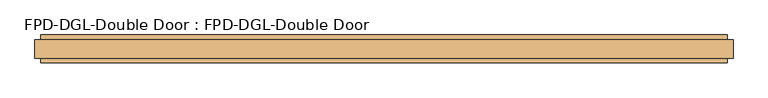
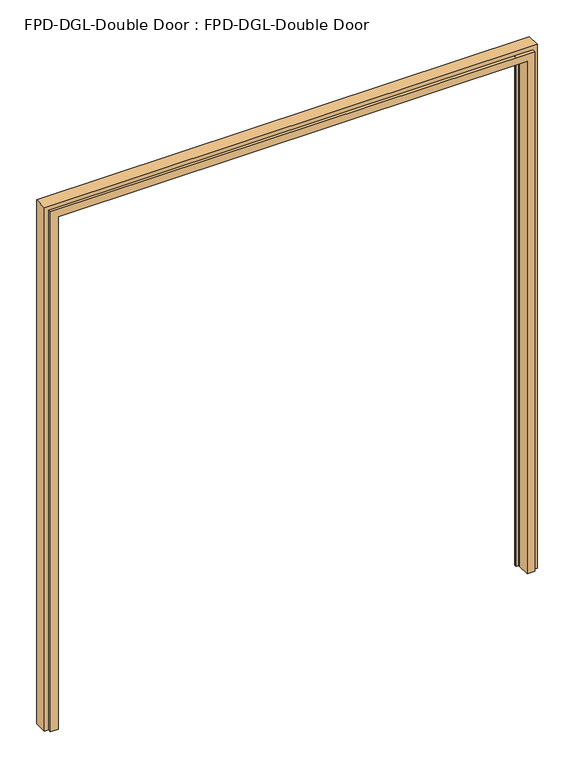
"""IFC4 building model written with IfcOpenShell, lengths in millimetres: door geometry, FPD-DGL-Double Door : FPD-DGL-Double Door."""

from ifc_helpers import new_model, si_unit, frame, origin, place, context, project, spatial, polyline, circle_curve, ellipse_curve, source, transform, mapped, element, save
from ifc_brep_helpers import plane_surface, cylinder_surface, revolved_surface, advanced_brep


def fpd_dgl_double_door_fpd_dgl_double_door_bdb7c09e(model_context):
    return source(origin(), model_context, "Body", "AdvancedBrep", [
        advanced_brep(
        [(903.3075687, -11.3733949, 0.0), (903.3075687, 40.6860271, 0.0), (902.3830671, 40.6860271, 0.0), (902.3830671, 44.3028642, 0.0), (893.0413882, 44.3028642, 0.0), (892.4810471, 44.8632053, 0.0), (892.4810471, 51.5478604, 0.0), (893.0414807, 52.1082939, 0.0), (902.7488697, 52.1082939, 0.0), (903.3086545, 52.6680787, 0.0), (903.3086545, 64.7989331, 0.0), (933.4648079, 64.7989331, 0.0), (933.4648079, 52.1038106, 0.0), (949.325, 52.1038106, 0.0), (949.325, 1.322059, 0.0), (933.4556354, 1.322059, 0.0), (933.4556354, -11.3733949, 0.0), (903.3075687, -11.3733949, 2087.5825687), (903.3075687, 40.6860271, 2087.5825687), (-903.3075687, 40.6860271, 2087.5825687), (-903.3075687, 40.6860271, 0.0), (-902.3830671, 40.6860271, 0.0), (-902.3830671, 40.6860271, 2086.6580671), (902.3830671, 40.6860271, 2086.6580671), (902.3830671, 44.3028642, 2086.6580671), (-902.3830671, 44.3028642, 2086.6580671), (-902.3830671, 44.3028642, 0.0), (-893.0413882, 44.3028642, 0.0), (-893.0413882, 44.3028642, 2077.3163882), (893.0413882, 44.3028642, 2077.3163882), (892.4810471, 44.8632053, 2076.7560471), (892.4810471, 51.5478604, 2076.7560471), (893.0414807, 52.1082939, 2077.3164807), (-893.0414807, 52.1082939, 2077.3164807), (-893.0414807, 52.1082939, 0.0), (-902.7488697, 52.1082939, 0.0), (-902.7488697, 52.1082939, 2087.0238697), (902.7488697, 52.1082939, 2087.0238697), (903.3086545, 52.6680787, 2087.5836545), (903.3086545, 64.7989331, 2087.5836545), (-903.3075687, -11.3733949, 0.0), (-933.4556354, -11.3733949, 0.0), (-933.4556354, 1.322059, 0.0), (-949.325, 1.322059, 0.0), (-949.325, 52.1038106, 0.0), (-933.4648079, 52.1038106, 0.0), (-933.4648079, 64.7989331, 0.0), (-903.3086545, 64.7989331, 0.0), (-903.3086545, 52.6680787, 0.0), (-892.4810471, 51.5478604, 0.0), (-892.4810471, 44.8632053, 0.0), (-903.3086545, 64.7989331, 2087.5836545), (-903.3086545, 52.6680787, 2087.5836545), (-892.4810471, 51.5478604, 2076.7560471), (-892.4810471, 44.8632053, 2076.7560471), (-903.3075687, -11.3733949, 2087.5825687), (-933.4648079, 64.7989331, 2117.7398079), (933.4648079, 64.7989331, 2117.7398079), (933.4648079, 52.1038106, 2117.7398079), (-933.4648079, 52.1038106, 2117.7398079), (-949.325, 52.1038106, 2133.6), (949.325, 52.1038106, 2133.6), (949.325, 1.322059, 2133.6), (-949.325, 1.322059, 2133.6), (-933.4556354, 1.322059, 2117.7306354), (933.4556354, 1.322059, 2117.7306354), (933.4556354, -11.3733949, 2117.7306354), (-933.4556354, -11.3733949, 2117.7306354)],
        [
            (0, 1),
            (1, 2),
            (2, 3),
            (3, 4),
            (4, 5, circle_curve(frame((893.0413882, 44.8632053, 0.0), z_axis=(0.0, 0.0, -1.0), x_axis=(0.0, -1.0, 0.0)), 0.5603411)),
            (5, 6),
            (6, 7, circle_curve(frame((893.0414807, 51.5478604, 0.0), z_axis=(0.0, 0.0, -1.0), x_axis=(0.0, -1.0, 0.0)), 0.5604335)),
            (7, 8),
            (8, 9, circle_curve(frame((902.7488697, 52.6680787, 0.0), z_axis=(0.0, 0.0, 1.0), x_axis=(0.0, -1.0, 0.0)), 0.5597848)),
            (9, 10),
            (10, 11),
            (11, 12),
            (12, 13),
            (13, 14),
            (14, 15),
            (15, 16),
            (16, 0),
            (0, 17),
            (17, 18),
            (18, 1),
            (18, 19),
            (19, 20),
            (20, 21),
            (21, 22),
            (22, 23),
            (23, 2),
            (23, 24),
            (24, 3),
            (24, 25),
            (25, 26),
            (26, 27),
            (27, 28),
            (28, 29),
            (29, 4),
            (29, 30, ellipse_curve(frame((893.0413882, 44.8632053, 2077.3163882), z_axis=(0.7071067811865475, 0.0, -0.7071067811865475), x_axis=(-0.7071067811865474, 0.0, -0.7071067811865476)), 0.7924419, 0.5603411)),
            (30, 5),
            (30, 31),
            (31, 6),
            (31, 32, ellipse_curve(frame((893.0414807, 51.5478604, 2077.3164807), z_axis=(0.7071067811865475, 0.0, -0.7071067811865475), x_axis=(-0.7071067811865474, 0.0, -0.7071067811865476)), 0.7925727, 0.5604335)),
            (32, 7),
            (32, 33),
            (33, 34),
            (34, 35),
            (35, 36),
            (36, 37),
            (37, 8),
            (37, 38, ellipse_curve(frame((902.7488697, 52.6680787, 2087.0238697), z_axis=(-0.7071067811865475, 0.0, 0.7071067811865475), x_axis=(0.7071067811865474, 0.0, 0.7071067811865476)), 0.7916552, 0.5597848)),
            (38, 9),
            (38, 39),
            (39, 10),
            (40, 41),
            (41, 42),
            (42, 43),
            (43, 44),
            (44, 45),
            (45, 46),
            (46, 47),
            (47, 48),
            (48, 35, circle_curve(frame((-902.7488697, 52.6680787, 0.0), z_axis=(0.0, 0.0, 1.0), x_axis=(0.0, -1.0, 0.0)), 0.5597848)),
            (34, 49, circle_curve(frame((-893.0414807, 51.5478604, 0.0), z_axis=(0.0, 0.0, -1.0), x_axis=(0.0, -1.0, 0.0)), 0.5604335)),
            (49, 50),
            (50, 27, circle_curve(frame((-893.0413882, 44.8632053, 0.0), z_axis=(0.0, 0.0, -1.0), x_axis=(0.0, -1.0, 0.0)), 0.5603411)),
            (26, 21),
            (20, 40),
            (51, 52),
            (52, 48),
            (47, 51),
            (52, 36, ellipse_curve(frame((-902.7488697, 52.6680787, 2087.0238697), z_axis=(0.7071067811865475, 0.0, 0.7071067811865475), x_axis=(0.7071067811865474, 0.0, -0.7071067811865476)), 0.7916552, 0.5597848)),
            (33, 53, ellipse_curve(frame((-893.0414807, 51.5478604, 2077.3164807), z_axis=(-0.7071067811865475, 0.0, -0.7071067811865475), x_axis=(-0.7071067811865474, 0.0, 0.7071067811865476)), 0.7925727, 0.5604335)),
            (53, 49),
            (53, 54),
            (54, 50),
            (54, 28, ellipse_curve(frame((-893.0413882, 44.8632053, 2077.3163882), z_axis=(-0.7071067811865475, 0.0, -0.7071067811865475), x_axis=(-0.7071067811865474, 0.0, 0.7071067811865476)), 0.7924419, 0.5603411)),
            (25, 22),
            (19, 55),
            (55, 40),
            (17, 55),
            (54, 30),
            (53, 31),
            (52, 38),
            (51, 39),
            (46, 56),
            (56, 57),
            (57, 11),
            (57, 58),
            (58, 12),
            (58, 59),
            (59, 45),
            (44, 60),
            (60, 61),
            (61, 13),
            (61, 62),
            (62, 14),
            (62, 63),
            (63, 43),
            (42, 64),
            (64, 65),
            (65, 15),
            (65, 66),
            (66, 16),
            (66, 67),
            (67, 41),
            (67, 64),
            (63, 60),
            (59, 56),
        ],
        [
            plane_surface(frame((949.325, 26.7129348, 0.0), z_axis=(0.0, 0.0, -1.0), x_axis=(0.0, -1.0, 0.0))),
            plane_surface(frame((903.3075687, -11.3733949, 0.0), z_axis=(-1.0, 0.0, 0.0), x_axis=(0.0, 0.0, 1.0))),
            plane_surface(frame((903.3075687, 40.6860271, 0.0), z_axis=(0.0, -1.0, 0.0), x_axis=(0.0, 0.0, 1.0))),
            plane_surface(frame((902.3830671, 40.6860271, 0.0), z_axis=(-1.0, 0.0, 0.0), x_axis=(0.0, 0.0, 1.0))),
            plane_surface(frame((902.3830671, 44.3028642, 0.0), z_axis=(0.0, -1.0, 0.0), x_axis=(0.0, 0.0, 1.0))),
            cylinder_surface(frame((893.0413882, 44.8632053, 0.0), z_axis=(0.0, 0.0, -1.0), x_axis=(0.0, -1.0, 0.0)), 0.5603411),
            plane_surface(frame((892.4810471, 44.8632053, 0.0), z_axis=(-1.0, 0.0, 0.0), x_axis=(0.0, 0.0, 1.0))),
            cylinder_surface(frame((893.0414807, 51.5478604, 0.0), z_axis=(0.0, 0.0, -1.0), x_axis=(0.0, -1.0, 0.0)), 0.5604335),
            plane_surface(frame((893.0414807, 52.1082939, 0.0), z_axis=(0.0, 1.0, 0.0), x_axis=(0.0, 0.0, 1.0))),
            revolved_surface(polyline([(902.7488697, 52.1082939, 2087.5836545), (902.7488697, 52.1082939, 0.0)]), (902.7488697, 52.6680787, 0.0), (0.0, 0.0, 1.0)),
            plane_surface(frame((903.3086545, 52.6680787, 0.0), z_axis=(-1.0, 0.0, 0.0), x_axis=(0.0, 0.0, 1.0))),
            plane_surface(frame((-949.325, 26.7129348, 0.0), z_axis=(0.0, 0.0, -1.0), x_axis=(0.0, -1.0, 0.0))),
            plane_surface(frame((-903.3086545, 52.6680787, 2087.5836545), z_axis=(1.0, 0.0, 0.0), x_axis=(0.0, 0.0, -1.0))),
            revolved_surface(polyline([(-902.7488697, 52.1082939, 0.0), (-902.7488697, 52.1082939, 2087.5836545)]), (-902.7488697, 52.6680787, 2133.6), (0.0, 0.0, -1.0)),
            cylinder_surface(frame((-893.0414807, 51.5478604, 2133.6), z_axis=(0.0, 0.0, 1.0), x_axis=(0.0, -1.0, 0.0)), 0.5604335),
            plane_surface(frame((-892.4810471, 44.8632053, 2076.7560471), z_axis=(1.0, 0.0, 0.0), x_axis=(0.0, 0.0, -1.0))),
            cylinder_surface(frame((-893.0413882, 44.8632053, 2133.6), z_axis=(0.0, 0.0, 1.0), x_axis=(0.0, -1.0, 0.0)), 0.5603411),
            plane_surface(frame((-902.3830671, 40.6860271, 2086.6580671), z_axis=(1.0, 0.0, 0.0), x_axis=(0.0, 0.0, -1.0))),
            plane_surface(frame((-903.3075687, -11.3733949, 2087.5825687), z_axis=(1.0, 0.0, 0.0), x_axis=(0.0, 0.0, -1.0))),
            plane_surface(frame((903.3075687, -11.3733949, 2087.5825687), z_axis=(0.0, 0.0, -1.0), x_axis=(-1.0, 0.0, 0.0))),
            plane_surface(frame((902.3830671, 40.6860271, 2086.6580671), z_axis=(0.0, 0.0, -1.0), x_axis=(-1.0, 0.0, 0.0))),
            cylinder_surface(frame((949.325, 44.8632053, 2077.3163882), z_axis=(1.0, 0.0, 0.0), x_axis=(0.0, -1.0, 0.0)), 0.5603411),
            plane_surface(frame((892.4810471, 44.8632053, 2076.7560471), z_axis=(0.0, 0.0, -1.0), x_axis=(-1.0, 0.0, 0.0))),
            cylinder_surface(frame((949.325, 51.5478604, 2077.3164807), z_axis=(1.0, 0.0, 0.0), x_axis=(0.0, -1.0, 0.0)), 0.5604335),
            revolved_surface(polyline([(-903.3086544999999, 52.1082939, 2087.0238697), (903.3086545, 52.1082939, 2087.0238697)]), (949.325, 52.6680787, 2087.0238697), (-1.0, 0.0, 0.0)),
            plane_surface(frame((903.3086545, 52.6680787, 2087.5836545), z_axis=(0.0, 0.0, -1.0), x_axis=(-1.0, 0.0, 0.0))),
            plane_surface(frame((903.3086545, 64.7989331, 0.0), z_axis=(0.0, 1.0, 0.0), x_axis=(0.0, 0.0, 1.0))),
            plane_surface(frame((933.4648079, 64.7989331, 0.0), z_axis=(1.0, 0.0, 0.0), x_axis=(0.0, 0.0, 1.0))),
            plane_surface(frame((933.4648079, 52.1038106, 0.0), z_axis=(0.0, 1.0, 0.0), x_axis=(0.0, 0.0, 1.0))),
            plane_surface(frame((949.325, 52.1038106, 0.0), z_axis=(1.0, 0.0, 0.0), x_axis=(0.0, 0.0, 1.0))),
            plane_surface(frame((949.325, 1.322059, 0.0), z_axis=(0.0, -1.0, 0.0), x_axis=(0.0, 0.0, 1.0))),
            plane_surface(frame((933.4556354, 1.322059, 0.0), z_axis=(1.0, 0.0, 0.0), x_axis=(0.0, 0.0, 1.0))),
            plane_surface(frame((933.4556354, -11.3733949, 0.0), z_axis=(0.0, -1.0, 0.0), x_axis=(0.0, 0.0, 1.0))),
            plane_surface(frame((-933.4556354, 1.322059, 2117.7306354), z_axis=(-1.0, 0.0, 0.0), x_axis=(0.0, 0.0, -1.0))),
            plane_surface(frame((-949.325, 52.1038106, 2133.6), z_axis=(-1.0, 0.0, 0.0), x_axis=(0.0, 0.0, -1.0))),
            plane_surface(frame((-933.4648079, 64.7989331, 2117.7398079), z_axis=(-1.0, 0.0, 0.0), x_axis=(0.0, 0.0, -1.0))),
            plane_surface(frame((933.4648079, 64.7989331, 2117.7398079), z_axis=(0.0, 0.0, 1.0), x_axis=(-1.0, 0.0, 0.0))),
            plane_surface(frame((949.325, 52.1038106, 2133.6), z_axis=(0.0, 0.0, 1.0), x_axis=(-1.0, 0.0, 0.0))),
            plane_surface(frame((933.4556354, 1.322059, 2117.7306354), z_axis=(0.0, 0.0, 1.0), x_axis=(-1.0, 0.0, 0.0))),
        ],
        [
            (0, [[1, 2, 3, 4, 5, 6, 7, 8, 9, 10, 11, 12, 13, 14, 15, 16, 17]]),
            (1, [[-1, 18, 19, 20]]),
            (2, [[-2, -20, 21, 22, 23, 24, 25, 26]]),
            (3, [[-3, -26, 27, 28]]),
            (4, [[-4, -28, 29, 30, 31, 32, 33, 34]]),
            (5, [[-5, -34, 35, 36]]),
            (6, [[-6, -36, 37, 38]]),
            (7, [[-7, -38, 39, 40]]),
            (8, [[-8, -40, 41, 42, 43, 44, 45, 46]]),
            (9, [[-9, -46, 47, 48]]),
            (10, [[-10, -48, 49, 50]]),
            (11, [[51, 52, 53, 54, 55, 56, 57, 58, 59, -43, 60, 61, 62, -31, 63, -23, 64]]),
            (12, [[65, 66, -58, 67]]),
            (13, [[68, -44, -59, -66]]),
            (14, [[69, 70, -60, -42]]),
            (15, [[71, 72, -61, -70]]),
            (16, [[73, -32, -62, -72]]),
            (17, [[74, -24, -63, -30]]),
            (18, [[75, 76, -64, -22]]),
            (19, [[-19, 77, -75, -21]]),
            (20, [[-27, -25, -74, -29]]),
            (21, [[-35, -33, -73, 78]]),
            (22, [[-37, -78, -71, 79]]),
            (23, [[-39, -79, -69, -41]]),
            (24, [[-47, -45, -68, 80]]),
            (25, [[-49, -80, -65, 81]]),
            (26, [[-11, -50, -81, -67, -57, 82, 83, 84]]),
            (27, [[-12, -84, 85, 86]]),
            (28, [[-13, -86, 87, 88, -55, 89, 90, 91]]),
            (29, [[-14, -91, 92, 93]]),
            (30, [[-15, -93, 94, 95, -53, 96, 97, 98]]),
            (31, [[-16, -98, 99, 100]]),
            (32, [[-17, -100, 101, 102, -51, -76, -77, -18]]),
            (33, [[103, -96, -52, -102]]),
            (34, [[104, -89, -54, -95]]),
            (35, [[105, -82, -56, -88]]),
            (36, [[-85, -83, -105, -87]]),
            (37, [[-92, -90, -104, -94]]),
            (38, [[-99, -97, -103, -101]]),
        ],
    ),
    ])


if __name__ == "__main__":
    model = new_model("IFC4")
    model_context = context("Model", 3, world=origin())
    ifc_project = project(units=[si_unit("LENGTHUNIT", "METRE", prefix="MILLI")], contexts=[model_context])
    site = spatial("IfcSite", under=ifc_project)
    building = spatial("IfcBuilding", under=site)
    placement = place(None, origin())
    fpd_dgl_double_door_fpd_dgl_double_door_shape = fpd_dgl_double_door_fpd_dgl_double_door_bdb7c09e(model_context)
    element("IfcDoor", 1, ObjectType="FPD-DGL-Double Door : FPD-DGL-Double Door", at=placement, inside=building, context=model_context, shape_type="MappedRepresentation", body=[
        mapped(fpd_dgl_double_door_fpd_dgl_double_door_shape, transform((0.0, 0.0, 0.0), x_axis=(1.0, 0.0, 0.0), y_axis=(0.0, 1.0, 0.0), z_axis=(0.0, 0.0, 1.0))),
    ])
    save(model, "model.ifc")
